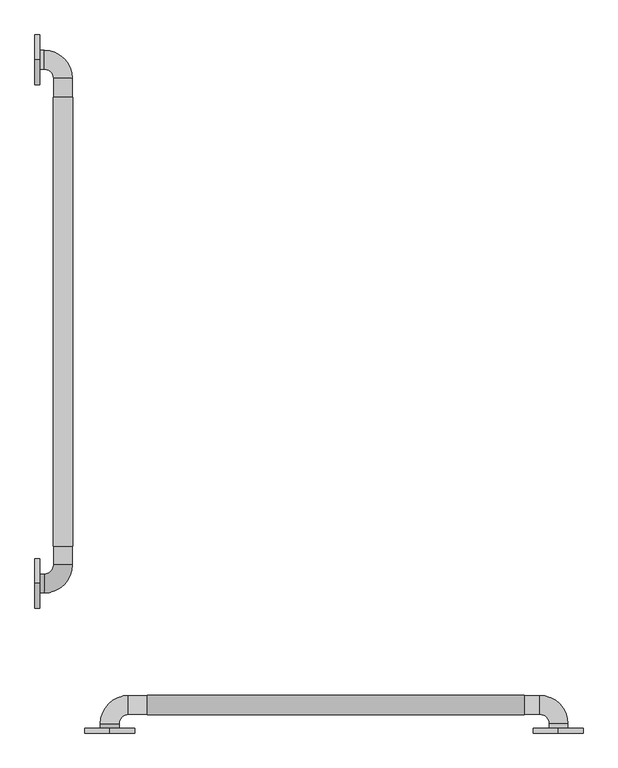
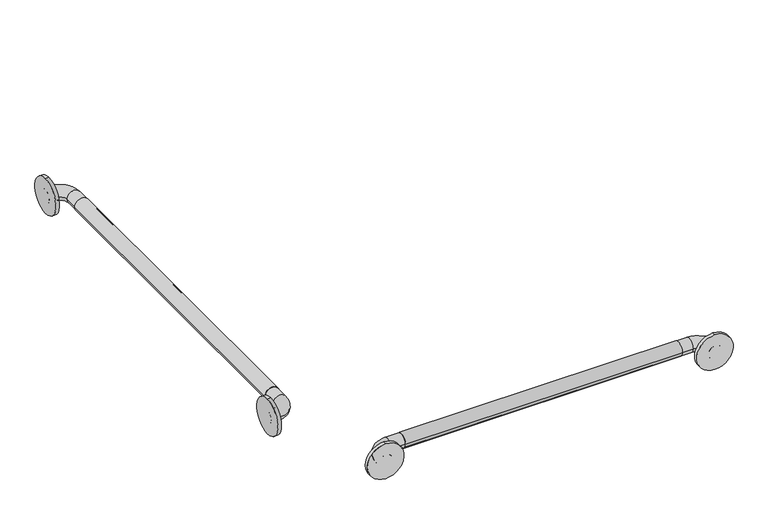
"""IFC4 building model written with IfcOpenShell, lengths in millimetres: proxy geometry."""

from ifc_helpers import new_model, si_unit, point, frame, frame_2d, origin, place, context, project, spatial, circle_curve, ellipse_curve, trimmed, segment, composite_curve, outline, extrude, source, transform, mapped, element, save
from ifc_brep_helpers import plane_surface, cylinder_surface, revolved_surface, advanced_brep


def generic_models_7a3d3e26(model_context):
    return source(origin(), model_context, "Body", "SolidModel", [
        extrude(outline(composite_curve([segment(trimmed(circle_curve(frame_2d((889.0, 57.15)), 19.84375), [point((889.0, 76.99375))], [point((889.0, 37.30625))], False, "CARTESIAN"), True, "CONTINUOUS"), segment(trimmed(circle_curve(frame_2d((889.0, 57.15)), 19.84375), [point((889.0, 37.30625))], [point((889.0, 76.99375))], False, "CARTESIAN"), True, "CONTINUOUS")], self_intersect=False)), frame((0.0, 533.4, 0.0), z_axis=(0.0, 1.0, 0.0), x_axis=(0.0, 0.0, 1.0)), (0.0, 0.0, 1.0), 914.4),
        extrude(outline(composite_curve([segment(trimmed(circle_curve(frame_2d((209.194073, 889.0)), 19.84375), [point((189.350323, 889.0))], [point((229.037823, 889.0))], False, "CARTESIAN"), True, "CONTINUOUS"), segment(trimmed(circle_curve(frame_2d((209.194073, 889.0)), 19.84375), [point((229.037823, 889.0))], [point((189.350323, 889.0))], False, "CARTESIAN"), True, "CONTINUOUS")], self_intersect=False)), frame((228.6, 0.0, 0.0), z_axis=(1.0, 0.0, 0.0), x_axis=(0.0, 1.0, 0.0)), (0.0, 0.0, 1.0), 768.35),
        extrude(outline(composite_curve([segment(trimmed(circle_curve(frame_2d((889.0, 1065.9492842)), 50.8), [point((838.2, 1065.9492842))], [point((939.8, 1065.9492842))], False, "CARTESIAN"), True, "CONTINUOUS"), segment(trimmed(circle_curve(frame_2d((889.0, 1065.9492842)), 50.8), [point((939.8, 1065.9492842))], [point((838.2, 1065.9492842))], False, "CARTESIAN"), True, "CONTINUOUS")], self_intersect=False)), frame((0.0, 152.4, 0.0), z_axis=(0.0, 1.0, 0.0), x_axis=(0.0, 0.0, 1.0)), (0.0, 0.0, 1.0), 9.525),
        extrude(outline(composite_curve([segment(trimmed(circle_curve(frame_2d((889.0, 152.4)), 50.8), [point((838.2, 152.4))], [point((939.8, 152.4))], False, "CARTESIAN"), True, "CONTINUOUS"), segment(trimmed(circle_curve(frame_2d((889.0, 152.4)), 50.8), [point((939.8, 152.4))], [point((838.2, 152.4))], False, "CARTESIAN"), True, "CONTINUOUS")], self_intersect=False)), frame((0.0, 152.4, 0.0), z_axis=(0.0, 1.0, 0.0), x_axis=(0.0, 0.0, 1.0)), (0.0, 0.0, 1.0), 9.525),
        extrude(outline(composite_curve([segment(trimmed(circle_curve(frame_2d((457.2, 889.0)), 50.8), [point((457.2, 838.2))], [point((457.2, 939.8))], False, "CARTESIAN"), True, "CONTINUOUS"), segment(trimmed(circle_curve(frame_2d((457.2, 889.0)), 50.8), [point((457.2, 939.8))], [point((457.2, 838.2))], False, "CARTESIAN"), True, "CONTINUOUS")], self_intersect=False)), frame((0.0, 0.0, 0.0), z_axis=(1.0, 0.0, 0.0), x_axis=(0.0, 1.0, 0.0)), (0.0, 0.0, 1.0), 9.525),
        extrude(outline(composite_curve([segment(trimmed(circle_curve(frame_2d((1524.0, 889.0)), 50.8), [point((1524.0, 838.2))], [point((1524.0, 939.8))], False, "CARTESIAN"), True, "CONTINUOUS"), segment(trimmed(circle_curve(frame_2d((1524.0, 889.0)), 50.8), [point((1524.0, 939.8))], [point((1524.0, 838.2))], False, "CARTESIAN"), True, "CONTINUOUS")], self_intersect=False)), frame((0.0, 0.0, 0.0), z_axis=(1.0, 0.0, 0.0), x_axis=(0.0, 1.0, 0.0)), (0.0, 0.0, 1.0), 9.525),
        advanced_brep(
        [(1085.85, 152.4, 889.0), (1047.75, 152.4, 889.0), (1085.85, 171.45, 889.0), (1047.75, 171.45, 889.0), (1028.7, 190.5, 889.0), (1028.7, 228.6, 889.0), (190.5, 228.6, 889.0), (190.5, 190.5, 889.0), (171.45, 171.45, 889.0), (133.35, 171.45, 889.0), (133.35, 152.4, 889.0), (171.45, 152.4, 889.0)],
        [
            (0, 1, circle_curve(frame((1066.8, 152.4, 889.0), z_axis=(0.0, -1.0, 0.0), x_axis=(-1.0, 0.0, 0.0)), 19.05)),
            (1, 0, circle_curve(frame((1066.8, 152.4, 889.0), z_axis=(0.0, -1.0, 0.0), x_axis=(-1.0, 0.0, 0.0)), 19.05)),
            (0, 2),
            (2, 3, circle_curve(frame((1066.8, 171.45, 889.0), z_axis=(0.0, -1.0, 0.0), x_axis=(-1.0, 0.0, 0.0)), 19.05)),
            (3, 1),
            (3, 2, circle_curve(frame((1066.8, 171.45, 889.0), z_axis=(0.0, -1.0, 0.0), x_axis=(-1.0, 0.0, 0.0)), 19.05)),
            (4, 3, circle_curve(frame((1028.7, 171.45, 889.0), z_axis=(0.0, 0.0, -1.0), x_axis=(1.0, 0.0, 0.0)), 19.05)),
            (2, 5, circle_curve(frame((1028.7, 171.45, 889.0), z_axis=(0.0, 0.0, 1.0), x_axis=(1.0, 0.0, 0.0)), 57.15)),
            (5, 4, circle_curve(frame((1028.7, 209.55, 889.0), z_axis=(1.0, 0.0, 0.0), x_axis=(0.0, -1.0, 0.0)), 19.05)),
            (4, 5, circle_curve(frame((1028.7, 209.55, 889.0), z_axis=(1.0, 0.0, 0.0), x_axis=(0.0, -1.0, 0.0)), 19.05)),
            (5, 6),
            (6, 7, circle_curve(frame((190.5, 209.55, 889.0), z_axis=(1.0, 0.0, 0.0), x_axis=(0.0, -1.0, 0.0)), 19.05)),
            (7, 4),
            (7, 6, circle_curve(frame((190.5, 209.55, 889.0), z_axis=(1.0, 0.0, 0.0), x_axis=(0.0, -1.0, 0.0)), 19.05)),
            (8, 7, circle_curve(frame((190.5, 171.45, 889.0), z_axis=(0.0, 0.0, -1.0), x_axis=(0.0, 1.0, 0.0)), 19.05)),
            (6, 9, circle_curve(frame((190.5, 171.45, 889.0), z_axis=(0.0, 0.0, 1.0), x_axis=(0.0, 1.0, 0.0)), 57.15)),
            (9, 8, circle_curve(frame((152.4, 171.45, 889.0), z_axis=(0.0, 1.0, 0.0), x_axis=(1.0, 0.0, 0.0)), 19.05)),
            (8, 9, circle_curve(frame((152.4, 171.45, 889.0), z_axis=(0.0, 1.0, 0.0), x_axis=(1.0, 0.0, 0.0)), 19.05)),
            (10, 11, circle_curve(frame((152.4, 152.4, 889.0), z_axis=(0.0, -1.0, 0.0), x_axis=(1.0, 0.0, 0.0)), 19.05)),
            (11, 10, circle_curve(frame((152.4, 152.4, 889.0), z_axis=(0.0, -1.0, 0.0), x_axis=(1.0, 0.0, 0.0)), 19.05)),
            (9, 10),
            (11, 8),
        ],
        [
            plane_surface(frame((1066.8, 152.4, 889.0), z_axis=(0.0, -1.0, 0.0), x_axis=(0.0, 0.0, 1.0))),
            cylinder_surface(frame((1066.8, 152.4, 889.0), z_axis=(0.0, -1.0, 0.0), x_axis=(-1.0, 0.0, 0.0)), 19.05),
            revolved_surface(trimmed(ellipse_curve(frame((1066.8, 171.45, 889.0), z_axis=(0.0, -1.0, 0.0), x_axis=(-1.0, 0.0, 0.0)), 19.05, 19.05), [point((1085.85, 171.45, 889.0))], [point((1047.75, 171.45, 889.0))], True, "CARTESIAN"), (1028.7, 171.45, 889.0), (0.0, 0.0, 1.0)),
            revolved_surface(trimmed(ellipse_curve(frame((1066.8, 171.45, 889.0), z_axis=(0.0, -1.0, 0.0), x_axis=(-1.0, 0.0, 0.0)), 19.05, 19.05), [point((1047.75, 171.45, 889.0))], [point((1085.85, 171.45, 889.0))], True, "CARTESIAN"), (1028.7, 171.45, 889.0), (0.0, 0.0, 1.0)),
            cylinder_surface(frame((1028.7, 209.55, 889.0), z_axis=(1.0, 0.0, 0.0), x_axis=(0.0, -1.0, 0.0)), 19.05),
            revolved_surface(trimmed(ellipse_curve(frame((190.5, 209.55, 889.0), z_axis=(1.0, 0.0, 0.0), x_axis=(0.0, -1.0, 0.0)), 19.05, 19.05), [point((190.5, 228.6, 889.0))], [point((190.5, 190.5, 889.0))], True, "CARTESIAN"), (190.5, 171.45, 889.0), (0.0, 0.0, 1.0)),
            revolved_surface(trimmed(ellipse_curve(frame((190.5, 209.55, 889.0), z_axis=(1.0, 0.0, 0.0), x_axis=(0.0, -1.0, 0.0)), 19.05, 19.05), [point((190.5, 190.5, 889.0))], [point((190.5, 228.6, 889.0))], True, "CARTESIAN"), (190.5, 171.45, 889.0), (0.0, 0.0, 1.0)),
            plane_surface(frame((152.4, 152.4, 889.0), z_axis=(0.0, -1.0, 0.0), x_axis=(0.0, 0.0, 1.0))),
            cylinder_surface(frame((152.4, 171.45, 889.0), z_axis=(0.0, 1.0, 0.0), x_axis=(1.0, 0.0, 0.0)), 19.05),
        ],
        [
            (0, [[1, 2]]),
            (1, [[-1, 3, 4, 5]]),
            (1, [[-2, -5, 6, -3]]),
            (2, [[7, -4, 8, 9]]),
            (3, [[-8, -6, -7, 10]]),
            (4, [[-9, 11, 12, 13]]),
            (4, [[-10, -13, 14, -11]]),
            (5, [[15, -12, 16, 17]]),
            (6, [[-16, -14, -15, 18]]),
            (7, [[19, 20]]),
            (8, [[-17, 21, -20, 22]]),
            (8, [[-18, -22, -19, -21]]),
        ],
    ),
        advanced_brep(
        [(0.0, 438.15, 889.0), (0.0, 476.25, 889.0), (19.05, 438.15, 889.0), (19.05, 476.25, 889.0), (38.1, 495.3, 889.0), (76.2, 495.3, 889.0), (76.2, 1485.9, 889.0), (38.1, 1485.9, 889.0), (19.05, 1504.95, 889.0), (19.05, 1543.05, 889.0), (0.0, 1543.05, 889.0), (0.0, 1504.95, 889.0)],
        [
            (0, 1, circle_curve(frame((0.0, 457.2, 889.0), z_axis=(-1.0, 0.0, 0.0), x_axis=(0.0, 1.0, 0.0)), 19.05)),
            (1, 0, circle_curve(frame((0.0, 457.2, 889.0), z_axis=(-1.0, 0.0, 0.0), x_axis=(0.0, 1.0, 0.0)), 19.05)),
            (0, 2),
            (2, 3, circle_curve(frame((19.05, 457.2, 889.0), z_axis=(-1.0, 0.0, 0.0), x_axis=(0.0, 1.0, 0.0)), 19.05)),
            (3, 1),
            (3, 2, circle_curve(frame((19.05, 457.2, 889.0), z_axis=(-1.0, 0.0, 0.0), x_axis=(0.0, 1.0, 0.0)), 19.05)),
            (4, 3, circle_curve(frame((19.05, 495.3, 889.0), z_axis=(0.0, 0.0, -1.0), x_axis=(0.0, -1.0, 0.0)), 19.05)),
            (2, 5, circle_curve(frame((19.05, 495.3, 889.0), z_axis=(0.0, 0.0, 1.0), x_axis=(0.0, -1.0, 0.0)), 57.15)),
            (5, 4, circle_curve(frame((57.15, 495.3, 889.0), z_axis=(0.0, -1.0, 0.0), x_axis=(-1.0, 0.0, 0.0)), 19.05)),
            (4, 5, circle_curve(frame((57.15, 495.3, 889.0), z_axis=(0.0, -1.0, 0.0), x_axis=(-1.0, 0.0, 0.0)), 19.05)),
            (5, 6),
            (6, 7, circle_curve(frame((57.15, 1485.9, 889.0), z_axis=(0.0, -1.0, 0.0), x_axis=(-1.0, 0.0, 0.0)), 19.05)),
            (7, 4),
            (7, 6, circle_curve(frame((57.15, 1485.9, 889.0), z_axis=(0.0, -1.0, 0.0), x_axis=(-1.0, 0.0, 0.0)), 19.05)),
            (8, 7, circle_curve(frame((19.05, 1485.9, 889.0), z_axis=(0.0, 0.0, -1.0), x_axis=(1.0, 0.0, 0.0)), 19.05)),
            (6, 9, circle_curve(frame((19.05, 1485.9, 889.0), z_axis=(0.0, 0.0, 1.0), x_axis=(1.0, 0.0, 0.0)), 57.15)),
            (9, 8, circle_curve(frame((19.05, 1524.0, 889.0), z_axis=(1.0, 0.0, 0.0), x_axis=(0.0, -1.0, 0.0)), 19.05)),
            (8, 9, circle_curve(frame((19.05, 1524.0, 889.0), z_axis=(1.0, 0.0, 0.0), x_axis=(0.0, -1.0, 0.0)), 19.05)),
            (10, 11, circle_curve(frame((0.0, 1524.0, 889.0), z_axis=(-1.0, 0.0, 0.0), x_axis=(0.0, -1.0, 0.0)), 19.05)),
            (11, 10, circle_curve(frame((0.0, 1524.0, 889.0), z_axis=(-1.0, 0.0, 0.0), x_axis=(0.0, -1.0, 0.0)), 19.05)),
            (9, 10),
            (11, 8),
        ],
        [
            plane_surface(frame((0.0, 457.2, 889.0), z_axis=(-1.0, 0.0, 0.0), x_axis=(0.0, 0.0, 1.0))),
            cylinder_surface(frame((0.0, 457.2, 889.0), z_axis=(-1.0, 0.0, 0.0), x_axis=(0.0, 1.0, 0.0)), 19.05),
            revolved_surface(trimmed(ellipse_curve(frame((19.05, 457.2, 889.0), z_axis=(-1.0, 0.0, 0.0), x_axis=(0.0, 1.0, 0.0)), 19.05, 19.05), [point((19.05, 438.15, 889.0))], [point((19.05, 476.25, 889.0))], True, "CARTESIAN"), (19.05, 495.3, 889.0), (0.0, 0.0, 1.0)),
            revolved_surface(trimmed(ellipse_curve(frame((19.05, 457.2, 889.0), z_axis=(-1.0, 0.0, 0.0), x_axis=(0.0, 1.0, 0.0)), 19.05, 19.05), [point((19.05, 476.25, 889.0))], [point((19.05, 438.15, 889.0))], True, "CARTESIAN"), (19.05, 495.3, 889.0), (0.0, 0.0, 1.0)),
            cylinder_surface(frame((57.15, 495.3, 889.0), z_axis=(0.0, -1.0, 0.0), x_axis=(-1.0, 0.0, 0.0)), 19.05),
            revolved_surface(trimmed(ellipse_curve(frame((57.15, 1485.9, 889.0), z_axis=(0.0, -1.0, 0.0), x_axis=(-1.0, 0.0, 0.0)), 19.05, 19.05), [point((76.2, 1485.9, 889.0))], [point((38.1, 1485.9, 889.0))], True, "CARTESIAN"), (19.05, 1485.9, 889.0), (0.0, 0.0, 1.0)),
            revolved_surface(trimmed(ellipse_curve(frame((57.15, 1485.9, 889.0), z_axis=(0.0, -1.0, 0.0), x_axis=(-1.0, 0.0, 0.0)), 19.05, 19.05), [point((38.1, 1485.9, 889.0))], [point((76.2, 1485.9, 889.0))], True, "CARTESIAN"), (19.05, 1485.9, 889.0), (0.0, 0.0, 1.0)),
            plane_surface(frame((0.0, 1524.0, 889.0), z_axis=(-1.0, 0.0, 0.0), x_axis=(0.0, 0.0, 1.0))),
            cylinder_surface(frame((19.05, 1524.0, 889.0), z_axis=(1.0, 0.0, 0.0), x_axis=(0.0, -1.0, 0.0)), 19.05),
        ],
        [
            (0, [[1, 2]]),
            (1, [[-1, 3, 4, 5]]),
            (1, [[-2, -5, 6, -3]]),
            (2, [[7, -4, 8, 9]]),
            (3, [[-8, -6, -7, 10]]),
            (4, [[-9, 11, 12, 13]]),
            (4, [[-10, -13, 14, -11]]),
            (5, [[15, -12, 16, 17]]),
            (6, [[-16, -14, -15, 18]]),
            (7, [[19, 20]]),
            (8, [[-17, 21, -20, 22]]),
            (8, [[-18, -22, -19, -21]]),
        ],
    ),
    ])


if __name__ == "__main__":
    model = new_model("IFC4")
    model_context = context("Model", 3, world=origin())
    ifc_project = project(units=[si_unit("LENGTHUNIT", "METRE", prefix="MILLI")], contexts=[model_context])
    site = spatial("IfcSite", under=ifc_project)
    building = spatial("IfcBuilding", under=site)
    placement = place(None, origin())
    generic_models_shape = generic_models_7a3d3e26(model_context)
    element("IfcBuildingElementProxy", 1, Name="Generic Models", at=placement, inside=building, context=model_context, shape_type="MappedRepresentation", body=[
        mapped(generic_models_shape, transform((0.0, 0.0, 0.0), x_axis=(1.0, 0.0, 0.0), y_axis=(0.0, 1.0, 0.0), z_axis=(0.0, 0.0, 1.0))),
    ])
    save(model, "model.ifc")
